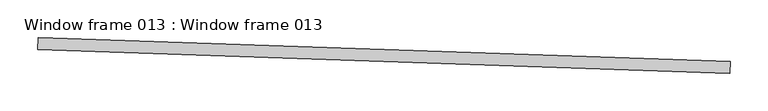
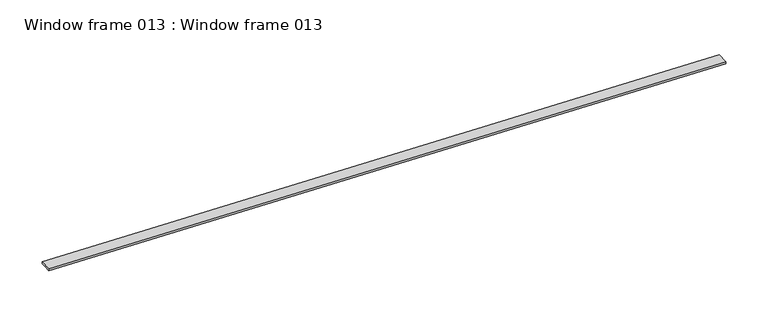
"""IFC4 building model written with IfcOpenShell, lengths in millimetres: proxy geometry, Window frame 013 : Window frame 013."""

from ifc_helpers import new_model, si_unit, point, frame, frame_2d, origin, place, context, project, spatial, polyline, circle_curve, trimmed, segment, composite_curve, outline, extrude, source, transform, mapped, element, save


def window_frame_013_window_frame_013_4ef59da6(model_context):
    return source(origin(), model_context, "Body", "SweptSolid", [
        extrude(outline(composite_curve([segment(polyline([(-3.048, 0.0), (0.0, 0.0), (0.0, -15.8242), (-3.048, -15.8242)]), True, "CONTINUOUS"), segment(trimmed(circle_curve(frame_2d((-43.7439858, -7.9121)), 41.4579858), [point((-3.048, -15.8242))], [point((-3.048, 0.0))], True, "CARTESIAN"), True, "CONTINUOUS")], self_intersect=False)), frame((34355.8893616, -15441.3958491, 2880.3501953), z_axis=(-0.9994149479166323, 0.03420178183655311, 0.0), x_axis=(0.0, 0.0, 1.0)), (0.0, 0.0, 1.0), 914.4),
    ])


if __name__ == "__main__":
    model = new_model("IFC4")
    model_context = context("Model", 3, world=origin())
    ifc_project = project(units=[si_unit("LENGTHUNIT", "METRE", prefix="MILLI")], contexts=[model_context])
    site = spatial("IfcSite", under=ifc_project)
    building = spatial("IfcBuilding", under=site)
    placement = place(None, origin())
    window_frame_013_window_frame_013_shape = window_frame_013_window_frame_013_4ef59da6(model_context)
    element("IfcBuildingElementProxy", 1, Name="Window frame 013 : Window frame 013", ObjectType="Window frame 013 : Window frame 013", at=placement, inside=building, context=model_context, shape_type="MappedRepresentation", body=[
        mapped(window_frame_013_window_frame_013_shape, transform((0.0, 0.0, 0.0), x_axis=(1.0, 0.0, 0.0), y_axis=(0.0, 1.0, 0.0), z_axis=(0.0, 0.0, 1.0))),
    ])
    save(model, "model.ifc")
